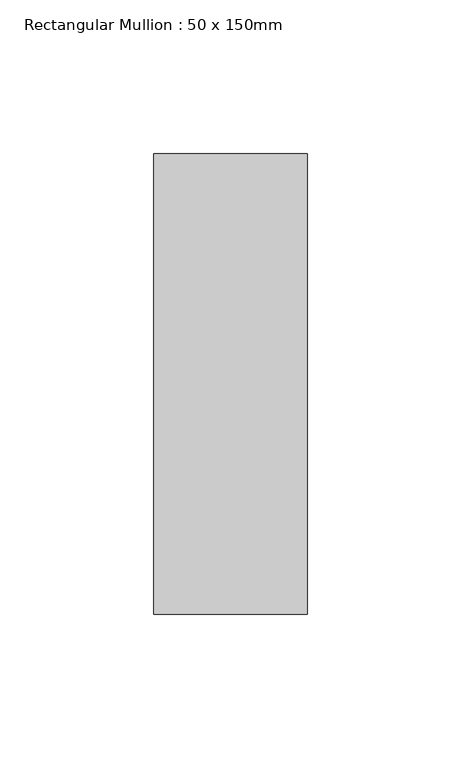
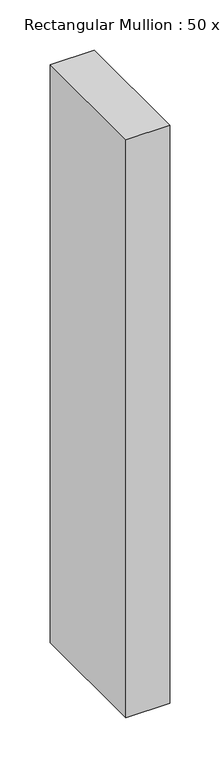
"""IFC4 building model written with IfcOpenShell, lengths in millimetres: member geometry, Rectangular Mullion : 50 x 150mm."""

from ifc_helpers import new_model, si_unit, frame, origin, place, context, project, spatial, polyline, outline, extrude, source, transform, mapped, element, save


def rectangular_mullion_50_x_150mm_205d2b36(model_context):
    return source(origin(), model_context, "Body", "SweptSolid", [
        extrude(outline(polyline([(0.0, 75.0), (0.0, -75.0), (-50.0, -75.0), (-50.0, 75.0), (0.0, 75.0)])), frame((0.0, 0.0, -700.0), z_axis=(0.0, 0.0, 1.0), x_axis=(1.0, 0.0, 0.0)), (0.0, 0.0, 1.0), 700.0),
    ])


if __name__ == "__main__":
    model = new_model("IFC4")
    model_context = context("Model", 3, world=origin())
    ifc_project = project(units=[si_unit("LENGTHUNIT", "METRE", prefix="MILLI")], contexts=[model_context])
    site = spatial("IfcSite", under=ifc_project)
    building = spatial("IfcBuilding", under=site)
    placement = place(None, origin())
    rectangular_mullion_50_x_150mm_shape = rectangular_mullion_50_x_150mm_205d2b36(model_context)
    element("IfcMember", 1, ObjectType="Rectangular Mullion : 50 x 150mm", at=placement, inside=building, context=model_context, shape_type="MappedRepresentation", body=[
        mapped(rectangular_mullion_50_x_150mm_shape, transform((0.0, 0.0, 0.0), x_axis=(1.0, 0.0, 0.0), y_axis=(0.0, 1.0, 0.0), z_axis=(0.0, 0.0, 1.0))),
    ])
    save(model, "model.ifc")
